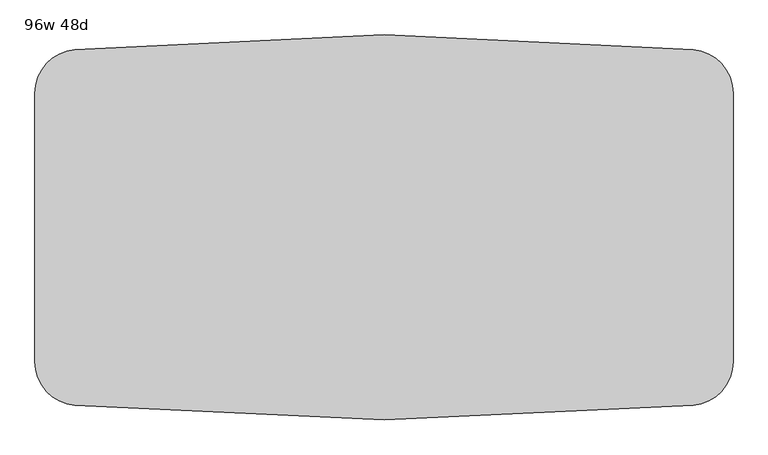
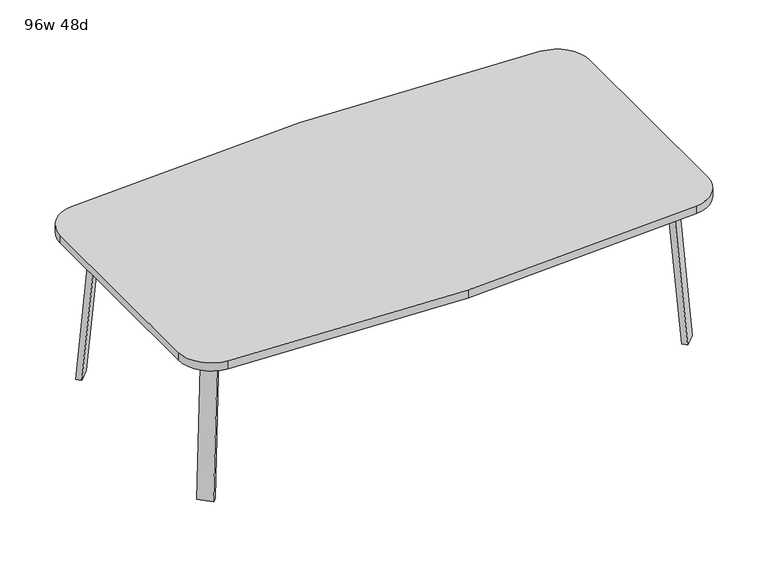
"""IFC4 building model written with IfcOpenShell, lengths in millimetres: furniture geometry, 96w 48d."""

from ifc_helpers import new_model, si_unit, point, frame, frame_2d, origin, place, context, project, spatial, polyline, circle_curve, trimmed, segment, composite_curve, outline, extrude, faceted_brep, source, transform, mapped, element, save


def furniture_96w_48d_84cc76a0(model_context):
    return source(origin(), model_context, "Body", "SolidModel", [
        faceted_brep([(911.0753042, -426.4920519, 695.325), (950.5884312, -386.978925, 695.325), (1005.7047531, -442.0952469, 695.325), (999.0631053, -448.7368947, 695.325), (938.0160726, -453.4328203, 695.325), (1058.3368947, -389.4631053, 695.325), (1052.4020849, -395.3979151, 695.325), (997.285763, -340.2815931, 695.325), (1036.7988899, -300.7684662, 695.325), (1063.7396583, -327.7092346, 695.325), (911.0753042, -426.4920519, 698.5), (938.0160726, -453.4328203, 698.5), (999.0631053, -448.7368947, 698.5), (1058.3368947, -389.4631053, 698.5), (1063.7396583, -327.7092346, 698.5), (1036.7988899, -300.7684662, 698.5), (1005.7047531, -442.0952469, 673.1), (1052.4020849, -395.3979151, 673.1), (960.8034725, -397.1939663, 673.1), (1007.5008043, -350.4966345, 673.1)], [[[0, 1, 2, 3, 4]], [[5, 6, 7, 8, 9]], [[10, 11, 12, 13, 14, 15]], [[4, 11, 10, 0]], [[3, 12, 11, 4]], [[12, 3, 2, 16, 17, 6, 5, 13]], [[9, 14, 13, 5]], [[8, 15, 14, 9]], [[15, 8, 7, 1, 0, 10]], [[2, 1, 18, 16]], [[7, 6, 17, 19]], [[18, 19, 17, 16]], [[1, 7, 19, 18]]]),
        extrude(outline(composite_curve([segment(polyline([(-698.9257667, 0.0), (-704.4601563, 63.2583633), (-679.156811, 65.4721192), (-677.172355, 42.7896831)]), True, "CONTINUOUS"), segment(trimmed(circle_curve(frame_2d((-658.194846, 44.45)), 19.05), [point((-677.172355, 42.7896831))], [point((-658.194846, 25.4))], True, "CARTESIAN"), True, "CONTINUOUS"), segment(polyline([(-658.194846, 25.4), (0.0201778, 25.4), (2.2423899, 0.0), (-698.9257667, 0.0)]), True, "CONTINUOUS")], self_intersect=False)), frame((1091.9792647, -531.7706733, 2.2338569), z_axis=(0.7071067811865512, 0.707106781186544, 0.0), x_axis=(0.06162841671622733, -0.06162841671621349, -0.9961946980917454)), (0.0, 0.0, 1.0), 69.85),
        faceted_brep([(911.0753042, 426.4920519, 695.325), (938.0160726, 453.4328203, 695.325), (999.0631053, 448.7368947, 695.325), (1005.7047531, 442.0952469, 695.325), (950.5884312, 386.978925, 695.325), (1058.3368947, 389.4631053, 695.325), (1063.7396583, 327.7092346, 695.325), (1036.7988899, 300.7684662, 695.325), (997.285763, 340.2815931, 695.325), (1052.4020849, 395.3979151, 695.325), (911.0753042, 426.4920519, 698.5), (1036.7988899, 300.7684662, 698.5), (1063.7396583, 327.7092346, 698.5), (1058.3368947, 389.4631053, 698.5), (999.0631053, 448.7368947, 698.5), (938.0160726, 453.4328203, 698.5), (1052.4020849, 395.3979151, 673.1), (1005.7047531, 442.0952469, 673.1), (960.8034725, 397.1939663, 673.1), (1007.5008043, 350.4966345, 673.1)], [[[0, 1, 2, 3, 4]], [[5, 6, 7, 8, 9]], [[10, 11, 12, 13, 14, 15]], [[1, 0, 10, 15]], [[2, 1, 15, 14]], [[14, 13, 5, 9, 16, 17, 3, 2]], [[6, 5, 13, 12]], [[7, 6, 12, 11]], [[11, 10, 0, 4, 8, 7]], [[3, 17, 18, 4]], [[8, 19, 16, 9]], [[18, 17, 16, 19]], [[4, 18, 19, 8]]]),
        extrude(outline(composite_curve([segment(polyline([(698.9257667, 0.0), (704.4601563, -63.2583633), (679.156811, -65.4721192), (677.172355, -42.7896831)]), True, "CONTINUOUS"), segment(trimmed(circle_curve(frame_2d((658.194846, -44.45)), 19.05), [point((677.172355, -42.7896831))], [point((658.194846, -25.4))], True, "CARTESIAN"), True, "CONTINUOUS"), segment(polyline([(658.194846, -25.4), (-0.0201778, -25.4), (-2.2423899, 0.0), (698.9257667, 0.0)]), True, "CONTINUOUS")], self_intersect=False)), frame((1141.3706733, 482.3792647, 2.2338569), z_axis=(-0.7071067811865512, 0.707106781186544, 0.0), x_axis=(-0.06162841671622733, -0.06162841671621349, 0.9961946980917454)), (0.0, 0.0, 1.0), 69.85),
        faceted_brep([(-911.0753042, 426.4920519, 695.325), (-950.5884312, 386.978925, 695.325), (-1005.7047531, 442.0952469, 695.325), (-999.0631053, 448.7368947, 695.325), (-938.0160726, 453.4328203, 695.325), (-1058.3368947, 389.4631053, 695.325), (-1052.4020849, 395.3979151, 695.325), (-997.285763, 340.2815931, 695.325), (-1036.7988899, 300.7684662, 695.325), (-1063.7396583, 327.7092346, 695.325), (-911.0753042, 426.4920519, 698.5), (-938.0160726, 453.4328203, 698.5), (-999.0631053, 448.7368947, 698.5), (-1058.3368947, 389.4631053, 698.5), (-1063.7396583, 327.7092346, 698.5), (-1036.7988899, 300.7684662, 698.5), (-1005.7047531, 442.0952469, 673.1), (-1052.4020849, 395.3979151, 673.1), (-960.8034725, 397.1939663, 673.1), (-1007.5008043, 350.4966345, 673.1)], [[[0, 1, 2, 3, 4]], [[5, 6, 7, 8, 9]], [[10, 11, 12, 13, 14, 15]], [[4, 11, 10, 0]], [[3, 12, 11, 4]], [[12, 3, 2, 16, 17, 6, 5, 13]], [[9, 14, 13, 5]], [[8, 15, 14, 9]], [[15, 8, 7, 1, 0, 10]], [[2, 1, 18, 16]], [[7, 6, 17, 19]], [[18, 19, 17, 16]], [[1, 7, 19, 18]]]),
        extrude(outline(composite_curve([segment(polyline([(698.9257667, 0.0), (-2.2423899, 0.0), (-0.0201778, 25.4), (658.194846, 25.4)]), True, "CONTINUOUS"), segment(trimmed(circle_curve(frame_2d((658.194846, 44.45)), 19.05), [point((658.194846, 25.4))], [point((677.172355, 42.7896831))], True, "CARTESIAN"), True, "CONTINUOUS"), segment(polyline([(677.172355, 42.7896831), (679.156811, 65.4721192), (704.4601563, 63.2583633), (698.9257667, 0.0)]), True, "CONTINUOUS")], self_intersect=False)), frame((-1141.3706733, 482.3792647, 2.2338569), z_axis=(0.7071067811865512, 0.707106781186544, 0.0), x_axis=(0.06162841671622733, -0.06162841671621349, 0.9961946980917454)), (0.0, 0.0, 1.0), 69.85),
        faceted_brep([(-911.0753042, -426.4920519, 695.325), (-938.0160726, -453.4328203, 695.325), (-999.0631053, -448.7368947, 695.325), (-1005.7047531, -442.0952469, 695.325), (-950.5884312, -386.978925, 695.325), (-1058.3368947, -389.4631053, 695.325), (-1063.7396583, -327.7092346, 695.325), (-1036.7988899, -300.7684662, 695.325), (-997.285763, -340.2815931, 695.325), (-1052.4020849, -395.3979151, 695.325), (-911.0753042, -426.4920519, 698.5), (-1036.7988899, -300.7684662, 698.5), (-1063.7396583, -327.7092346, 698.5), (-1058.3368947, -389.4631053, 698.5), (-999.0631053, -448.7368947, 698.5), (-938.0160726, -453.4328203, 698.5), (-1052.4020849, -395.3979151, 673.1), (-1005.7047531, -442.0952469, 673.1), (-960.8034725, -397.1939663, 673.1), (-1007.5008043, -350.4966345, 673.1)], [[[0, 1, 2, 3, 4]], [[5, 6, 7, 8, 9]], [[10, 11, 12, 13, 14, 15]], [[1, 0, 10, 15]], [[2, 1, 15, 14]], [[14, 13, 5, 9, 16, 17, 3, 2]], [[6, 5, 13, 12]], [[7, 6, 12, 11]], [[11, 10, 0, 4, 8, 7]], [[3, 17, 18, 4]], [[8, 19, 16, 9]], [[18, 17, 16, 19]], [[4, 18, 19, 8]]]),
        extrude(outline(composite_curve([segment(polyline([(-698.9257667, 0.0), (2.2423899, 0.0), (0.0201778, -25.4), (-658.194846, -25.4)]), True, "CONTINUOUS"), segment(trimmed(circle_curve(frame_2d((-658.194846, -44.45)), 19.05), [point((-658.194846, -25.4))], [point((-677.172355, -42.7896831))], True, "CARTESIAN"), True, "CONTINUOUS"), segment(polyline([(-677.172355, -42.7896831), (-679.156811, -65.4721192), (-704.4601563, -63.2583633), (-698.9257667, 0.0)]), True, "CONTINUOUS")], self_intersect=False)), frame((-1091.9792647, -531.7706733, 2.2338569), z_axis=(-0.7071067811865512, 0.707106781186544, 0.0), x_axis=(-0.06162841671622733, -0.06162841671621349, -0.9961946980917454)), (0.0, 0.0, 1.0), 69.85),
        extrude(outline(composite_curve([segment(trimmed(circle_curve(frame_2d((-1066.8, 469.3717488)), 152.4), [point((-1219.2, 469.3717488))], [point((-1079.4561311, 621.2453224))], False, "CARTESIAN"), True, "CONTINUOUS"), segment(polyline([(-1079.4561311, 621.2453224), (0.0, 673.1), (1079.4561311, 621.2453224)]), True, "CONTINUOUS"), segment(trimmed(circle_curve(frame_2d((1066.8, 469.3717488)), 152.4), [point((1079.4561311, 621.2453224))], [point((1219.2, 469.3717488))], False, "CARTESIAN"), True, "CONTINUOUS"), segment(polyline([(1219.2, 469.3717488), (1219.2, -469.3717488)]), True, "CONTINUOUS"), segment(trimmed(circle_curve(frame_2d((1066.8, -469.3717488)), 152.4), [point((1219.2, -469.3717488))], [point((1079.4561311, -621.2453224))], False, "CARTESIAN"), True, "CONTINUOUS"), segment(polyline([(1079.4561311, -621.2453224), (0.0, -673.1), (-1079.4561311, -621.2453224)]), True, "CONTINUOUS"), segment(trimmed(circle_curve(frame_2d((-1066.8, -469.3717488)), 152.4), [point((-1079.4561311, -621.2453224))], [point((-1219.2, -469.3717488))], False, "CARTESIAN"), True, "CONTINUOUS"), segment(polyline([(-1219.2, -469.3717488), (-1219.2, 469.3717488)]), True, "CONTINUOUS")], self_intersect=False)), frame((0.0, 0.0, 698.5), z_axis=(0.0, 0.0, 1.0), x_axis=(1.0, 0.0, 0.0)), (0.0, 0.0, 1.0), 38.1),
    ])


if __name__ == "__main__":
    model = new_model("IFC4")
    model_context = context("Model", 3, world=origin())
    ifc_project = project(units=[si_unit("LENGTHUNIT", "METRE", prefix="MILLI")], contexts=[model_context])
    site = spatial("IfcSite", under=ifc_project)
    building = spatial("IfcBuilding", under=site)
    placement = place(None, origin())
    furniture_96w_48d_shape = furniture_96w_48d_84cc76a0(model_context)
    element("IfcFurniture", 1, ObjectType="96w 48d", at=placement, inside=building, context=model_context, shape_type="MappedRepresentation", body=[
        mapped(furniture_96w_48d_shape, transform((0.0, 0.0, 0.0), x_axis=(1.0, 0.0, 0.0), y_axis=(0.0, 1.0, 0.0), z_axis=(0.0, 0.0, 1.0))),
    ])
    save(model, "model.ifc")
